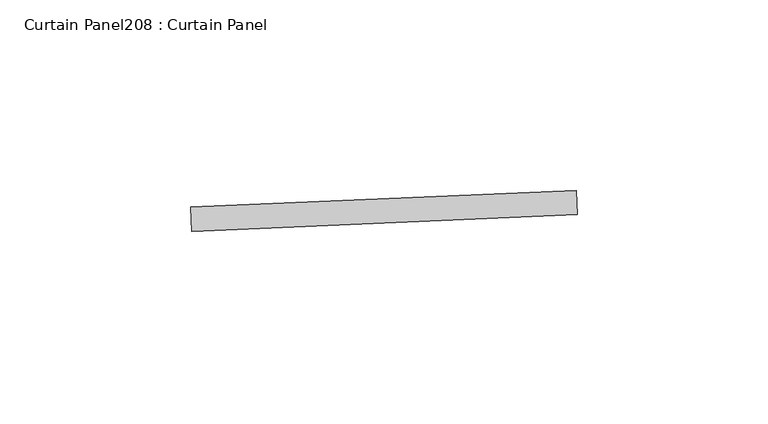
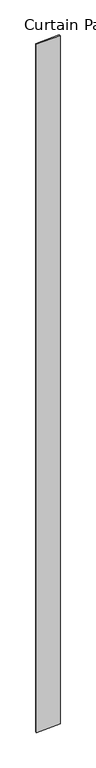
"""IFC4 building model written with IfcOpenShell, lengths in millimetres: plate geometry, Curtain Panel208 : Curtain Panel."""

from ifc_helpers import new_model, si_unit, frame, origin, place, context, project, spatial, polyline, outline, extrude, source, transform, mapped, element, save


def curtain_panel208_curtain_panel_f8dfc01a(model_context):
    return source(origin(), model_context, "Body", "SweptSolid", [
        extrude(outline(polyline([(614779.7264773, 2423.1945296), (614678.5162381, 2418.7755951), (614678.239255, 2425.1195513), (614779.4494942, 2429.5384858), (614779.7264773, 2423.1945296)])), frame((0.0, 0.0, 4959.7989371), z_axis=(0.0, 0.0, 1.0), x_axis=(1.0, 0.0, 0.0)), (0.0, 0.0, 1.0), 3048.0),
    ])


if __name__ == "__main__":
    model = new_model("IFC4")
    model_context = context("Model", 3, world=origin())
    ifc_project = project(units=[si_unit("LENGTHUNIT", "METRE", prefix="MILLI")], contexts=[model_context])
    site = spatial("IfcSite", under=ifc_project)
    building = spatial("IfcBuilding", under=site)
    placement = place(None, origin())
    curtain_panel208_curtain_panel_shape = curtain_panel208_curtain_panel_f8dfc01a(model_context)
    element("IfcPlate", 1, ObjectType="Curtain Panel208 : Curtain Panel", at=placement, inside=building, context=model_context, shape_type="MappedRepresentation", body=[
        mapped(curtain_panel208_curtain_panel_shape, transform((0.0, 0.0, 0.0), x_axis=(1.0, 0.0, 0.0), y_axis=(0.0, 1.0, 0.0), z_axis=(0.0, 0.0, 1.0))),
    ])
    save(model, "model.ifc")
